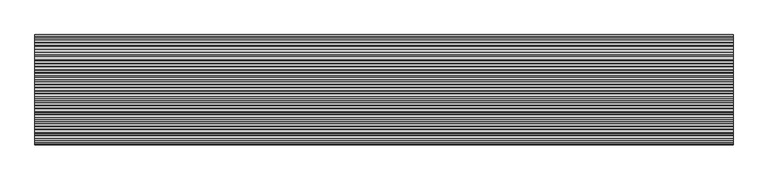
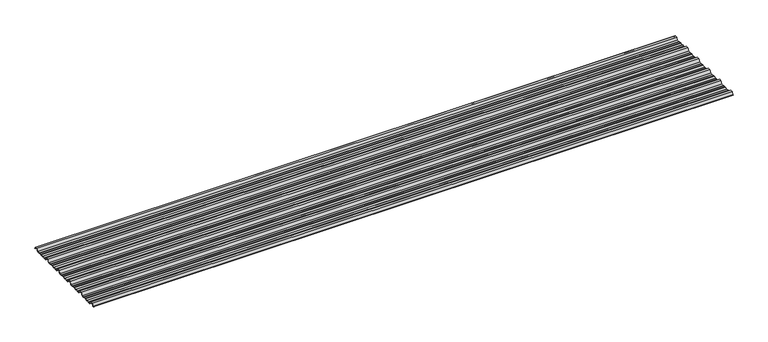
"""IFC4 building model written with IfcOpenShell, lengths in millimetres: beam geometry."""

from ifc_helpers import new_model, si_unit, point, frame, frame_2d, origin, place, context, project, spatial, polyline, circle_curve, trimmed, segment, composite_curve, outline, extrude, source, transform, mapped, element, save


def beam_66e28026(model_context):
    return source(origin(), model_context, "Body", "SweptSolid", [
        extrude(outline(composite_curve([segment(polyline([(-41.155409, -25.7896475), (-45.2820109, -23.7896475), (-62.8888461, -23.7896475), (-66.1530101, -25.7896475), (-88.4400183, -25.7896475), (-91.4814768, -23.7896475), (-107.1472807, -23.7896475), (-110.1909225, -25.7896475), (-130.513361, -25.7896475), (-142.4987169, -4.7896475), (-161.4999361, -4.7896475), (-173.513361, -25.7896475), (-193.155409, -25.7896475), (-197.2820109, -23.7896475), (-214.8888461, -23.7896475), (-218.1530101, -25.7896475), (-240.4400183, -25.7896475), (-243.4814768, -23.7896475), (-259.1472807, -23.7896475), (-262.1909225, -25.7896475), (-282.513361, -25.7896475), (-294.4987169, -4.7896475), (-313.4999361, -4.7896475), (-325.513361, -25.7896475), (-345.155409, -25.7896475), (-349.2820109, -23.7896475), (-366.8888461, -23.7896475), (-370.1530101, -25.7896475), (-392.4400183, -25.7896475), (-395.4814768, -23.7896475), (-411.1472807, -23.7896475), (-414.1909225, -25.7896475), (-434.513361, -25.7896475), (-446.4987169, -4.7896475), (-465.4999361, -4.7896475), (-477.513361, -25.7896475), (-497.155409, -25.7896475), (-501.2820109, -23.7896475), (-518.8888461, -23.7896475), (-522.1530101, -25.7896475), (-544.4400183, -25.7896475), (-547.4814768, -23.7896475), (-563.1472807, -23.7896475), (-566.1909225, -25.7896475), (-586.513361, -25.7896475), (-598.4987169, -4.7896475), (-617.4999361, -4.7896475), (-629.513361, -25.7896475), (-649.155409, -25.7896475), (-653.2820109, -23.7896475), (-670.8888461, -23.7896475), (-674.1530101, -25.7896475), (-696.4400183, -25.7896475), (-699.4814768, -23.7896475), (-715.1472807, -23.7896475), (-718.1909225, -25.7896475), (-738.513361, -25.7896475), (-750.4987169, -4.7896475), (-769.4999361, -4.7896475), (-780.3692253, -23.7896475), (-783.804755, -23.7896475)]), True, "CONTINUOUS"), segment(trimmed(circle_curve(frame_2d((-783.804755, -23.2896475)), 0.5), [point((-783.804755, -23.7896475))], [point((-783.804755, -22.7896475))], False, "CARTESIAN"), True, "CONTINUOUS"), segment(polyline([(-783.804755, -22.7896475), (-780.8686157, -22.7896475), (-769.9993265, -3.7896475), (-749.9993265, -3.7896475), (-738.0139706, -24.7896475), (-718.4900736, -24.7896475), (-715.4464317, -22.7896475), (-699.1821463, -22.7896475), (-696.1406878, -24.7896475), (-674.4350053, -24.7896475), (-671.1708413, -22.7896475), (-653.0524511, -22.7896475), (-648.9258491, -24.7896475), (-630.0127514, -24.7896475), (-617.9993265, -3.7896475), (-597.9993265, -3.7896475), (-586.0139706, -24.7896475), (-566.4900736, -24.7896475), (-563.4464317, -22.7896475), (-547.1821463, -22.7896475), (-544.1406878, -24.7896475), (-522.4350053, -24.7896475), (-519.1708413, -22.7896475), (-501.0524511, -22.7896475), (-496.9258491, -24.7896475), (-478.0127514, -24.7896475), (-465.9993265, -3.7896475), (-445.9993265, -3.7896475), (-434.0139706, -24.7896475), (-414.4900736, -24.7896475), (-411.4464317, -22.7896475), (-395.1821463, -22.7896475), (-392.1406878, -24.7896475), (-370.4350053, -24.7896475), (-367.1708413, -22.7896475), (-349.0524511, -22.7896475), (-344.9258491, -24.7896475), (-326.0127514, -24.7896475), (-313.9993265, -3.7896475), (-293.9993265, -3.7896475), (-282.0139706, -24.7896475), (-262.4900736, -24.7896475), (-259.4464317, -22.7896475), (-243.1821463, -22.7896475), (-240.1406878, -24.7896475), (-218.4350053, -24.7896475), (-215.1708413, -22.7896475), (-197.0524511, -22.7896475), (-192.9258491, -24.7896475), (-174.0127514, -24.7896475), (-161.9993265, -3.7896475), (-141.9993265, -3.7896475), (-130.0139706, -24.7896475), (-110.4900736, -24.7896475), (-107.4464317, -22.7896475), (-91.1821463, -22.7896475), (-88.1406878, -24.7896475), (-66.4350053, -24.7896475), (-63.1708413, -22.7896475), (-45.0524511, -22.7896475), (-40.9258491, -24.7896475), (-19.7086146, -24.7896475), (-8.8393254, -5.7896475), (8.8393254, -5.7896475), (16.8315702, -19.793165)]), True, "CONTINUOUS"), segment(trimmed(circle_curve(frame_2d((16.4279743, -20.0235098)), 0.4647024), [point((16.8315702, -19.793165))], [point((16.0243785, -20.2538545))], False, "CARTESIAN"), True, "CONTINUOUS"), segment(polyline([(16.0243785, -20.2538545), (8.339935, -6.7896475), (-8.339935, -6.7896475), (-19.2092242, -25.7896475), (-41.155409, -25.7896475)]), True, "CONTINUOUS")], self_intersect=False)), frame((-2535.0, 0.0, 0.0), z_axis=(1.0, 0.0, 0.0), x_axis=(0.0, 1.0, 0.0)), (0.0, 0.0, 1.0), 5070.0),
    ])


if __name__ == "__main__":
    model = new_model("IFC4")
    model_context = context("Model", 3, world=origin())
    ifc_project = project(units=[si_unit("LENGTHUNIT", "METRE", prefix="MILLI")], contexts=[model_context])
    site = spatial("IfcSite", under=ifc_project)
    building = spatial("IfcBuilding", under=site)
    placement = place(None, origin())
    beam_shape = beam_66e28026(model_context)
    element("IfcBeam", 1, at=placement, inside=building, context=model_context, shape_type="MappedRepresentation", body=[
        mapped(beam_shape, transform((0.0, 0.0, 0.0), x_axis=(1.0, 0.0, 0.0), y_axis=(0.0, 1.0, 0.0), z_axis=(0.0, 0.0, 1.0))),
    ])
    save(model, "model.ifc")
